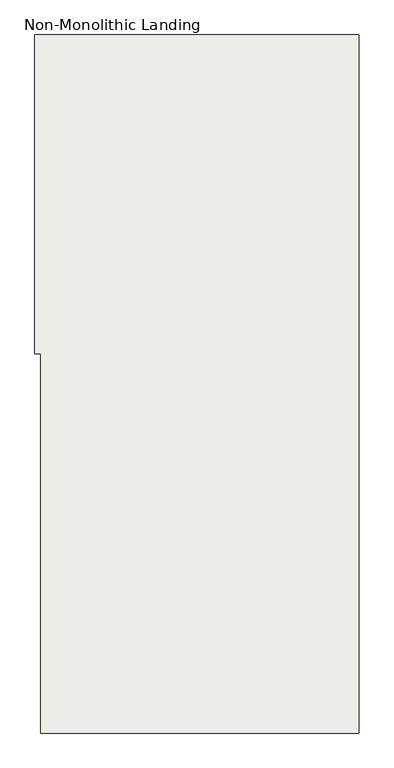
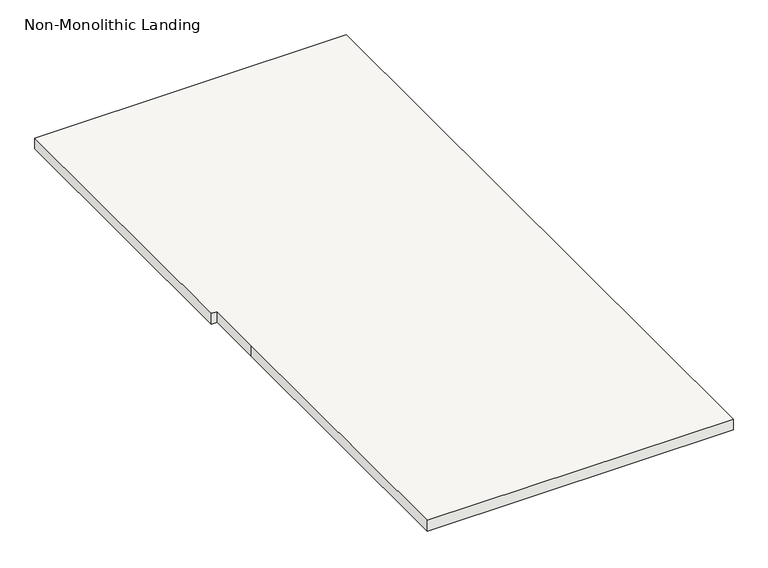
"""IFC4 building model written with IfcOpenShell, lengths in millimetres: slab geometry, Non-Monolithic Landing."""

from ifc_helpers import new_model, si_unit, frame, origin, place, context, project, spatial, polyline, outline, extrude, source, transform, mapped, element, save


def non_monolithic_landing_7651347b(model_context):
    return source(origin(), model_context, "Body", "SweptSolid", [
        extrude(outline(polyline([(-511321.2106288, -1404.4788899), (-511321.2106288, -1142.5413899), (-511346.6106288, -1142.5413899), (-511346.6106288, 229.0586101), (-511321.2106288, 229.0586101), (-509949.6106288, 229.0586101), (-509949.6106288, -2776.0788899), (-511321.2106288, -2776.0788899), (-511321.2106288, -1404.4788899)])), frame((0.0, 0.0, 921.026087), z_axis=(0.0, 0.0, 1.0), x_axis=(1.0, 0.0, 0.0)), (0.0, 0.0, 1.0), 50.8),
    ])


if __name__ == "__main__":
    model = new_model("IFC4")
    model_context = context("Model", 3, world=origin())
    ifc_project = project(units=[si_unit("LENGTHUNIT", "METRE", prefix="MILLI")], contexts=[model_context])
    site = spatial("IfcSite", under=ifc_project)
    building = spatial("IfcBuilding", under=site)
    placement = place(None, origin())
    non_monolithic_landing_shape = non_monolithic_landing_7651347b(model_context)
    element("IfcSlab", 1, ObjectType="Non-Monolithic Landing", at=placement, inside=building, context=model_context, shape_type="MappedRepresentation", body=[
        mapped(non_monolithic_landing_shape, transform((0.0, 0.0, 0.0), x_axis=(1.0, 0.0, 0.0), y_axis=(0.0, 1.0, 0.0), z_axis=(0.0, 0.0, 1.0))),
    ])
    save(model, "model.ifc")
